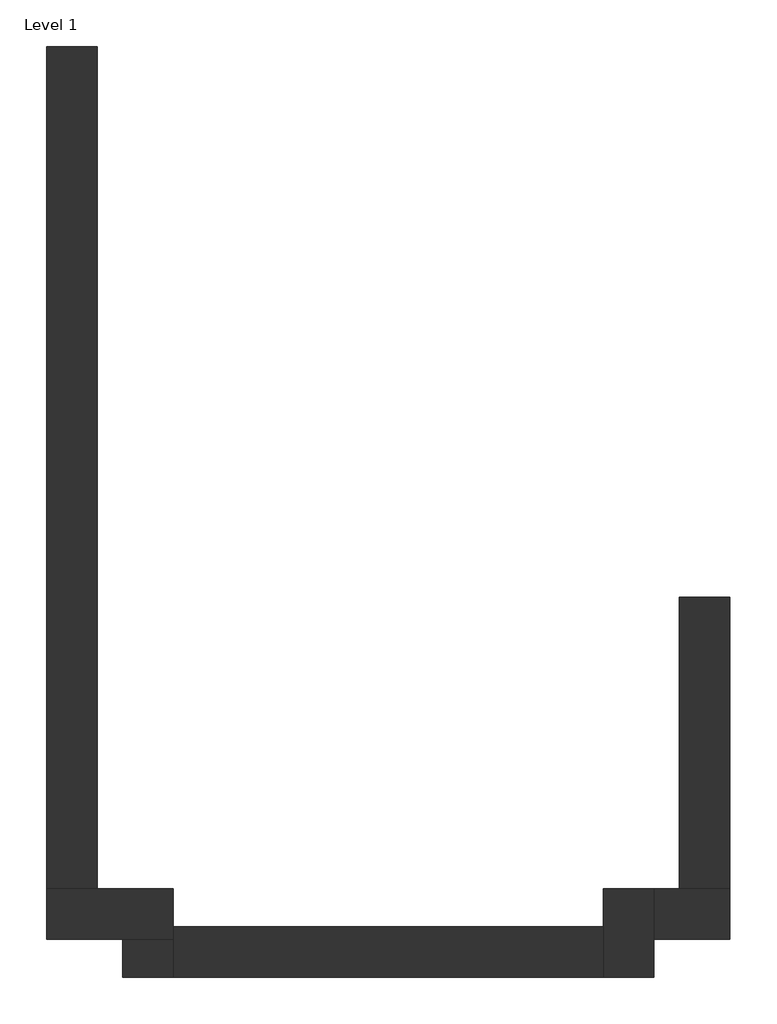
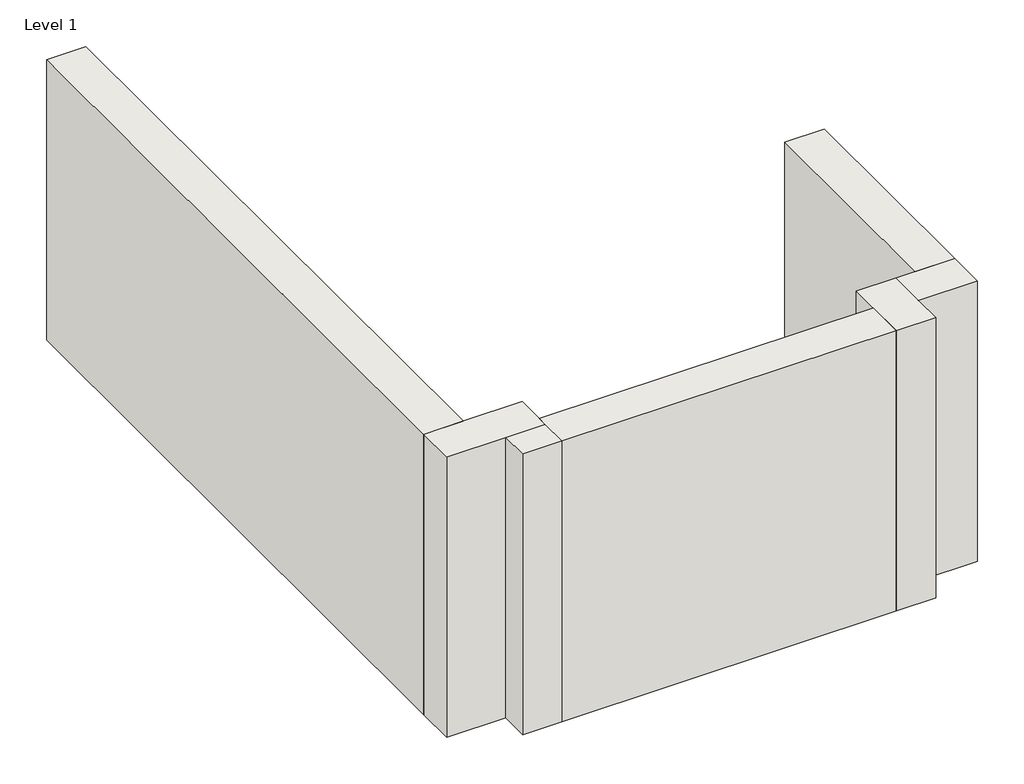
# One storey: 7 walls.
"""IFC4 building model written with IfcOpenShell, lengths in millimetres."""

from ifc_helpers import new_model, si_unit, origin, origin_with_axes, place, context, project, spatial, polyline, outline, extrude, faceted_brep, element, save

model = new_model("IFC4")

# Units and contexts
model_context = context("Model", 3, world=origin())
ifc_project = project(units=[si_unit("LENGTHUNIT", "METRE", prefix="MILLI")], contexts=[model_context])

# Site, building, storey
site = spatial("IfcSite", under=ifc_project)
building = spatial("IfcBuilding", under=site)
storey = spatial("IfcBuildingStorey", under=building, Name="Level 1", Elevation=0.0)

# Walls
placement = place(None, origin())
element("IfcWall", 1, ObjectType="8\" CMU w/ Stone Facade - Int GWB", at=placement, inside=storey, context=model_context, shape_type="SweptSolid", body=[
    extrude(outline(polyline([(-4756.7677782, -1088.4677516), (-4756.7677782, 5667.9322484), (-4350.3677782, 5667.9322484), (-4350.3677782, -1088.4677516), (-4756.7677782, -1088.4677516)])), origin_with_axes(), (0.0, 0.0, 1.0), 3067.05),
])
element("IfcWall", 2, ObjectType="8\" CMU w/ Stone Facade - Int GWB", at=placement, inside=storey, context=model_context, shape_type="Brep", body=[
    faceted_brep([(-4756.7677782, -1494.8677516, 0.0), (-4147.1677782, -1494.8677516, 0.0), (-3740.7677782, -1494.8677516, 0.0), (-3740.7677782, -1494.8677516, 3067.05), (-4147.1677782, -1494.8677516, 3067.05), (-4756.7677782, -1494.8677516, 3067.05), (-4756.7677782, -1088.4677516, 0.0), (-4756.7677782, -1088.4677516, 3067.05), (-4350.3677782, -1088.4677516, 3067.05), (-3740.7677782, -1088.4677516, 3067.05), (-3740.7677782, -1088.4677516, 0.0), (-4350.3677782, -1088.4677516, 0.0), (-3740.7677782, -1393.2677516, 0.0), (-3740.7677782, -1393.2677516, 3067.05)], [[[0, 1, 2, 3, 4, 5]], [[6, 7, 8, 9, 10, 11]], [[2, 1, 0, 6, 11, 10, 12]], [[5, 4, 3, 13, 9, 8, 7]], [[0, 5, 7, 6]], [[3, 2, 12, 10, 9, 13]]]),
])
element("IfcWall", 3, ObjectType="8\" CMU w/ Stone Facade - Int GWB", at=placement, inside=storey, context=model_context, shape_type="SweptSolid", body=[
    extrude(outline(polyline([(-4147.1677782, -1799.6677516), (-4147.1677782, -1494.8677516), (-3740.7677782, -1494.8677516), (-3740.7677782, -1799.6677516), (-4147.1677782, -1799.6677516)])), origin_with_axes(), (0.0, 0.0, 1.0), 3067.05),
])
element("IfcWall", 4, ObjectType="8\" CMU w/ Stone Facade - Int GWB", at=placement, inside=storey, context=model_context, shape_type="Brep", body=[
    faceted_brep([(-3740.7677782, -1799.6677516, 0.0), (-286.3677782, -1799.6677516, 0.0), (-286.3677782, -1799.6677516, 3067.05), (-3740.7677782, -1799.6677516, 3067.05), (-3740.7677782, -1393.2677516, 0.0), (-3740.7677782, -1393.2677516, 3067.05), (-286.3677782, -1393.2677516, 3067.05), (-286.3677782, -1393.2677516, 0.0), (-3740.7677782, -1494.8677516, 0.0), (-3740.7677782, -1494.8677516, 3067.05)], [[[0, 1, 2, 3]], [[4, 5, 6, 7]], [[1, 0, 8, 4, 7]], [[3, 2, 6, 5, 9]], [[0, 3, 9, 5, 4, 8]], [[2, 1, 7, 6]]]),
])
element("IfcWall", 5, ObjectType="8\" CMU w/ Stone Facade - Int GWB", at=placement, inside=storey, context=model_context, shape_type="Brep", body=[
    faceted_brep([(120.0322218, -1799.6677516, 0.0), (120.0322218, -1494.8677516, 0.0), (120.0322218, -1088.4677516, 0.0), (120.0322218, -1088.4677516, 3067.05), (120.0322218, -1494.8677516, 3067.05), (120.0322218, -1799.6677516, 3067.05), (-286.3677782, -1799.6677516, 0.0), (-286.3677782, -1799.6677516, 3067.05), (-286.3677782, -1393.2677516, 3067.05), (-286.3677782, -1088.4677516, 3067.05), (-286.3677782, -1088.4677516, 0.0), (-286.3677782, -1393.2677516, 0.0)], [[[0, 1, 2, 3, 4, 5]], [[6, 7, 8, 9, 10, 11]], [[2, 1, 0, 6, 11, 10]], [[5, 4, 3, 9, 8, 7]], [[3, 2, 10, 9]], [[0, 5, 7, 6]]]),
])
element("IfcWall", 6, ObjectType="8\" CMU w/ Stone Facade - Int GWB", at=placement, inside=storey, context=model_context, shape_type="Brep", body=[
    faceted_brep([(120.0322218, -1494.8677516, 0.0), (729.6322218, -1494.8677516, 0.0), (729.6322218, -1494.8677516, 3067.05), (120.0322218, -1494.8677516, 3067.05), (120.0322218, -1088.4677516, 0.0), (120.0322218, -1088.4677516, 3067.05), (323.2322218, -1088.4677516, 3067.05), (729.6322218, -1088.4677516, 3067.05), (729.6322218, -1088.4677516, 0.0), (323.2322218, -1088.4677516, 0.0)], [[[0, 1, 2, 3]], [[4, 5, 6, 7, 8, 9]], [[1, 0, 4, 9, 8]], [[3, 2, 7, 6, 5]], [[2, 1, 8, 7]], [[0, 3, 5, 4]]]),
])
element("IfcWall", 7, ObjectType="8\" CMU w/ Stone Facade - Int GWB", at=placement, inside=storey, context=model_context, shape_type="SweptSolid", body=[
    extrude(outline(polyline([(729.6322218, 1248.3322484), (729.6322218, -1088.4677516), (323.2322218, -1088.4677516), (323.2322218, 1248.3322484), (729.6322218, 1248.3322484)])), origin_with_axes(), (0.0, 0.0, 1.0), 3067.05),
])

save(model, "model.ifc")
